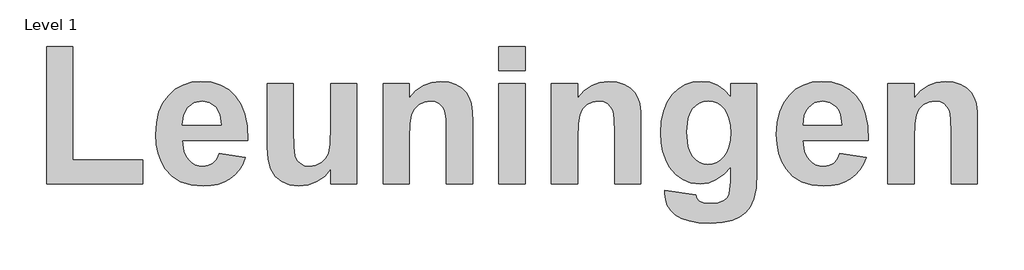
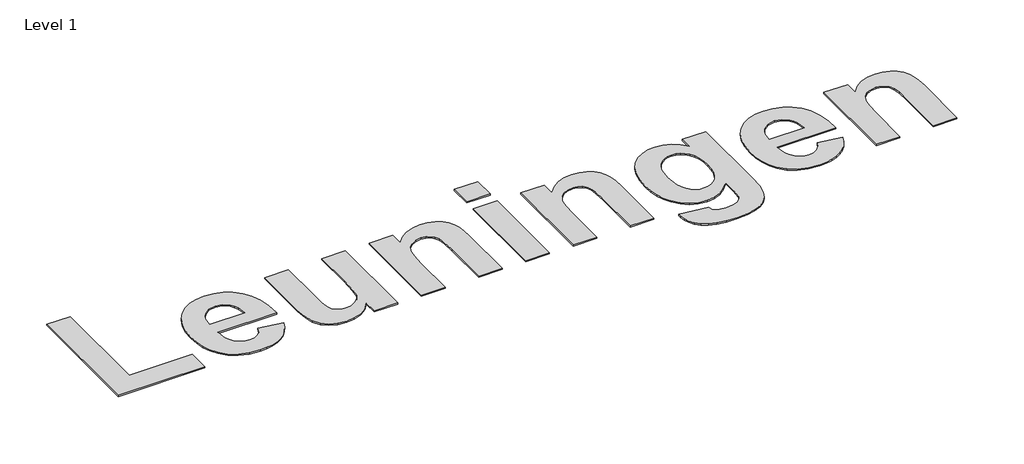
# One storey, part 9 of 14: 1 proxy.
"""IFC4 building model written with IfcOpenShell, lengths in millimetres."""

from ifc_helpers import new_model, si_unit, origin, origin_with_axes, place, context, project, spatial, polyline, outline, extrude, element, save

model = new_model("IFC4")

# Units and contexts
model_context = context("Model", 3, world=origin())
ifc_project = project(units=[si_unit("LENGTHUNIT", "METRE", prefix="MILLI")], contexts=[model_context])

# Site, building, storey
site = spatial("IfcSite", under=ifc_project)
building = spatial("IfcBuilding", under=site)
storey = spatial("IfcBuildingStorey", under=building, Name="Level 1", Elevation=0.0)

# Proxy
placement = place(None, origin())
element("IfcBuildingElementProxy", 1, Name="500mm", ObjectType="500mm", at=placement, inside=storey, context=model_context, shape_type="SweptSolid", body=[
    extrude(outline(polyline([(40589.66133, -17164.6173693), (40589.66133, -16664.6173693), (40684.8994253, -16664.6173693), (40684.8994253, -17077.315782), (40938.8676792, -17077.315782), (40938.8676792, -17164.6173693), (40589.66133, -17164.6173693)])), origin_with_axes(), (0.0, 0.0, 1.0), 5.0),
    extrude(outline(polyline([(41216.645457, -17053.5062582), (41311.8835523, -17069.3792741), (41301.5908935, -17093.1074177), (41288.6940681, -17113.8206183), (41273.1930761, -17131.518876), (41255.0879173, -17146.2021907), (41234.4638474, -17157.7310536), (41211.4061217, -17165.9659556), (41185.9147403, -17170.9068968), (41157.9897031, -17172.5538772), (41114.8581926, -17168.6708787), (41077.7255662, -17157.0218832), (41046.5918236, -17137.6068906), (41021.456965, -17110.4259011), (41006.1574858, -17083.9269551), (40995.2292864, -17054.1572999), (40988.6723667, -17021.1169353), (40986.4867269, -16984.8058614), (40989.3854124, -16941.9921213), (40998.0814689, -16904.0766947), (41012.5748965, -16871.0595816), (41032.8656951, -16842.940782), (41057.5897775, -16820.4798445), (41085.3830562, -16804.4363177), (41116.2455314, -16794.8102016), (41150.1772031, -16791.6014963), (41187.8833662, -16794.8954571), (41221.3887606, -16804.7773395), (41250.6933861, -16821.2471436), (41275.7972427, -16844.3048693), (41295.801273, -16874.1675305), (41309.8064193, -16911.0521411), (41317.8126817, -16954.9587012), (41319.8200602, -17005.8872106), (41081.7248221, -17005.8872106), (41087.832213, -17046.003778), (41094.7224039, -17062.2953207), (41104.1702586, -17076.0757026), (41115.5557373, -17087.034904), (41128.2588003, -17094.862905), (41142.2794476, -17099.5597056), (41157.6176792, -17101.1253058), (41177.613959, -17098.3041253), (41194.2000205, -17089.8405836), (41207.2518558, -17075.1146411), (41216.645457, -17053.5062582)]), holes=[polyline([(41224.581965, -16950.331655), (41218.7845939, -16912.6797453), (41212.2819278, -16897.7019117), (41203.3766078, -16885.2894923), (41180.9931753, -16868.5949239), (41154.269465, -16863.0300677), (41126.0576594, -16868.8894427), (41103.1781951, -16886.4675677), (41094.4046336, -16899.2946387), (41088.1732348, -16914.2143435), (41083.3369253, -16950.331655), (41224.581965, -16950.331655)])]), origin_with_axes(), (0.0, 0.0, 1.0), 5.0),
    extrude(outline(polyline([(41621.4073618, -17164.6173693), (41621.4073618, -17111.0459407), (41599.473458, -17136.6380786), (41571.6181753, -17156.1228257), (41539.9186465, -17168.4461143), (41506.4520046, -17172.5538772), (41473.3728876, -17168.5236193), (41443.8279967, -17156.4328455), (41419.894465, -17137.0411044), (41403.6494253, -17111.1079447), (41394.34883, -17076.3082175), (41391.2486316, -17030.3167741), (41391.2486316, -16799.5380042), (41486.4867269, -16799.5380042), (41486.4867269, -16968.3128058), (41487.7733092, -17030.7973048), (41491.6330562, -17063.2408812), (41498.9185225, -17078.8658812), (41510.4822626, -17090.8946511), (41526.0297576, -17098.5676421), (41545.2664888, -17101.1253058), (41568.0684481, -17097.7150876), (41588.3592467, -17087.4844328), (41604.3872725, -17072.1849536), (41614.4009134, -17053.5682622), (41619.6557497, -17018.644527), (41621.4073618, -16954.4239169), (41621.4073618, -16799.5380042), (41716.645457, -16799.5380042), (41716.645457, -17164.6173693), (41621.4073618, -17164.6173693)])), origin_with_axes(), (0.0, 0.0, 1.0), 5.0),
    extrude(outline(polyline([(42137.2803777, -17164.6173693), (42042.0422824, -17164.6173693), (42042.0422824, -16976.9933614), (42040.5541872, -16927.8862185), (42036.0899015, -16899.8604249), (42028.2463995, -16884.3284308), (42016.6206554, -16872.7026868), (42001.770705, -16865.4482225), (41984.254584, -16863.0300677), (41961.2046088, -16866.486789), (41940.6657943, -16876.8569526), (41924.4207546, -16892.9469824), (41914.2521038, -16913.5633018), (41908.9042616, -16946.1308862), (41907.1216475, -16998.0747106), (41907.1216475, -17164.6173693), (41811.8835523, -17164.6173693), (41811.8835523, -16799.5380042), (41907.1216475, -16799.5380042), (41907.1216475, -16852.1173693), (41931.2179397, -16825.6416749), (41958.2439193, -16806.7304645), (41988.1995865, -16795.3837384), (42021.0849412, -16791.6014963), (42050.0407943, -16794.4846808), (42076.3924808, -16803.1342344), (42098.4038896, -16816.2480737), (42114.3389094, -16832.5241153), (42125.2671088, -16851.5748346), (42132.2580562, -16873.0127066), (42136.0247973, -16900.5579695), (42137.2803777, -16937.9308614), (42137.2803777, -17164.6173693)])), origin_with_axes(), (0.0, 0.0, 1.0), 5.0),
    extrude(outline(polyline([(42232.5184729, -17164.6173693), (42232.5184729, -16799.5380042), (42327.7565681, -16799.5380042), (42327.7565681, -17164.6173693), (42232.5184729, -17164.6173693)])), origin_with_axes(), (0.0, 0.0, 1.0), 5.0),
    extrude(outline(polyline([(42232.5184729, -16751.9189566), (42232.5184729, -16664.6173693), (42327.7565681, -16664.6173693), (42327.7565681, -16751.9189566), (42232.5184729, -16751.9189566)])), origin_with_axes(), (0.0, 0.0, 1.0), 5.0),
    extrude(outline(polyline([(42748.3914888, -17164.6173693), (42653.1533935, -17164.6173693), (42653.1533935, -16976.9933614), (42651.6652983, -16927.8862185), (42647.2010126, -16899.8604249), (42639.3575106, -16884.3284308), (42627.7317665, -16872.7026868), (42612.8818162, -16865.4482225), (42595.3656951, -16863.0300677), (42572.3157199, -16866.486789), (42551.7769054, -16876.8569526), (42535.5318658, -16892.9469824), (42525.363215, -16913.5633018), (42520.0153727, -16946.1308862), (42518.2327586, -16998.0747106), (42518.2327586, -17164.6173693), (42422.9946634, -17164.6173693), (42422.9946634, -16799.5380042), (42518.2327586, -16799.5380042), (42518.2327586, -16852.1173693), (42542.3290508, -16825.6416749), (42569.3550304, -16806.7304645), (42599.3106976, -16795.3837384), (42632.1960523, -16791.6014963), (42661.1519054, -16794.4846808), (42687.5035919, -16803.1342344), (42709.5150007, -16816.2480737), (42725.4500205, -16832.5241153), (42736.3782199, -16851.5748346), (42743.3691673, -16873.0127066), (42747.1359084, -16900.5579695), (42748.3914888, -16937.9308614), (42748.3914888, -17164.6173693)])), origin_with_axes(), (0.0, 0.0, 1.0), 5.0),
    extrude(outline(polyline([(42835.6930761, -17188.4268931), (42946.8041872, -17204.299909), (42951.051459, -17218.3128058), (42958.5849412, -17227.1173693), (42975.1089987, -17233.8137979), (42998.8875205, -17236.0459407), (43029.7034927, -17233.2247602), (43051.7149015, -17224.7612185), (43062.0695642, -17214.8715856), (43069.5720443, -17200.331655), (43073.7883142, -17155.9368138), (43073.7883142, -17102.737409), (43049.2269922, -17129.8098916), (43022.6660423, -17149.1473792), (42994.1054645, -17160.7498718), (42963.5452586, -17164.6173693), (42930.1638722, -17160.7343708), (42900.4562209, -17149.0853753), (42874.4223047, -17129.6703827), (42852.0621237, -17102.4893931), (42837.9562209, -17076.4322255), (42827.8805761, -17047.3678653), (42821.8351892, -17015.2963128), (42819.8200602, -16980.2175677), (42822.4591041, -16937.0434296), (42830.3762358, -16899.2868882), (42843.5714553, -16866.9479435), (42862.0447626, -16840.0265955), (42884.4475714, -16818.8406146), (42909.4312953, -16803.7077711), (42936.9959345, -16794.628065), (42967.1414888, -16791.6014963), (42998.0814689, -16795.189976), (43026.1692665, -16805.9554149), (43051.4048816, -16823.8978133), (43073.7883142, -16849.0171709), (43073.7883142, -16799.5380042), (43169.0264094, -16799.5380042), (43169.0264094, -17123.8187582), (43166.4377437, -17179.6378306), (43158.6717467, -17219.3668733), (43146.2399511, -17247.6251818), (43129.6538896, -17269.0320518), (43107.8594947, -17285.0755786), (43079.8026991, -17297.2438574), (43044.4759382, -17304.9168485), (43000.8716475, -17307.4745122), (42959.0732224, -17305.5678901), (42923.8317169, -17299.8480241), (42895.1471311, -17290.314914), (42873.019465, -17276.9685598), (42856.5264094, -17260.6925181), (42844.7456554, -17242.3703455), (42837.6772031, -17222.0020419), (42835.3210523, -17199.5876074), (42835.6930761, -17188.4268931)]), holes=[polyline([(42915.0581554, -16976.6213376), (42920.5610076, -17029.0146907), (42927.4395728, -17049.1194774), (42937.0695642, -17065.1630042), (42948.7224349, -17077.424289), (42961.6696386, -17086.1823495), (42975.911175, -17091.4371858), (42991.4470443, -17093.1887979), (43008.0757336, -17091.3906828), (43023.363587, -17085.9963376), (43037.3106046, -17077.0057622), (43049.9167864, -17064.4189566), (43060.3605798, -17048.3056754), (43067.8204322, -17028.7356729), (43072.2963437, -17005.7089492), (43073.7883142, -16979.2255042), (43072.3583476, -16951.6143621), (43068.0684481, -16927.8087136), (43060.9186155, -16907.8085585), (43050.9088499, -16891.6138971), (43038.7134444, -16879.1084717), (43025.0066921, -16870.1760251), (43009.7885932, -16864.8165571), (42993.0591475, -16863.0300677), (42976.8179831, -16864.7816798), (42962.0726644, -16870.0365161), (42948.8231914, -16878.7945766), (42937.0695642, -16891.0558614), (42927.4395728, -16906.9133763), (42920.5610076, -16926.4601272), (42915.0581554, -16976.6213376)])]), origin_with_axes(), (0.0, 0.0, 1.0), 5.0),
    extrude(outline(polyline([(43470.613711, -17053.5062582), (43565.8518062, -17069.3792741), (43555.5591475, -17093.1074177), (43542.6623221, -17113.8206183), (43527.16133, -17131.518876), (43509.0561713, -17146.2021907), (43488.4321014, -17157.7310536), (43465.3743757, -17165.9659556), (43439.8829942, -17170.9068968), (43411.957957, -17172.5538772), (43368.8264466, -17168.6708787), (43331.6938201, -17157.0218832), (43300.5600776, -17137.6068906), (43275.4252189, -17110.4259011), (43260.1257398, -17083.9269551), (43249.1975404, -17054.1572999), (43242.6406207, -17021.1169353), (43240.4549808, -16984.8058614), (43243.3536663, -16941.9921213), (43252.0497229, -16904.0766947), (43266.5431505, -16871.0595816), (43286.8339491, -16842.940782), (43311.5580314, -16820.4798445), (43339.3513102, -16804.4363177), (43370.2137854, -16794.8102016), (43404.145457, -16791.6014963), (43441.8516202, -16794.8954571), (43475.3570146, -16804.7773395), (43504.6616401, -16821.2471436), (43529.7654967, -16844.3048693), (43549.769527, -16874.1675305), (43563.7746733, -16911.0521411), (43571.7809357, -16954.9587012), (43573.7883142, -17005.8872106), (43335.6930761, -17005.8872106), (43341.8004669, -17046.003778), (43348.6906579, -17062.2953207), (43358.1385126, -17076.0757026), (43369.5239912, -17087.034904), (43382.2270542, -17094.862905), (43396.2477016, -17099.5597056), (43411.5859332, -17101.1253058), (43431.582213, -17098.3041253), (43448.1682745, -17089.8405836), (43461.2201098, -17075.1146411), (43470.613711, -17053.5062582)]), holes=[polyline([(43478.5502189, -16950.331655), (43472.7528479, -16912.6797453), (43466.2501817, -16897.7019117), (43457.3448618, -16885.2894923), (43434.9614292, -16868.5949239), (43408.2377189, -16863.0300677), (43380.0259134, -16868.8894427), (43357.1464491, -16886.4675677), (43348.3728876, -16899.2946387), (43342.1414888, -16914.2143435), (43337.3051792, -16950.331655), (43478.5502189, -16950.331655)])]), origin_with_axes(), (0.0, 0.0, 1.0), 5.0),
    extrude(outline(polyline([(43970.613711, -17164.6173693), (43875.3756158, -17164.6173693), (43875.3756158, -16976.9933614), (43873.8875205, -16927.8862185), (43869.4232348, -16899.8604249), (43861.5797328, -16884.3284308), (43849.9539888, -16872.7026868), (43835.1040384, -16865.4482225), (43817.5879173, -16863.0300677), (43794.5379421, -16866.486789), (43773.9991277, -16876.8569526), (43757.754088, -16892.9469824), (43747.5854372, -16913.5633018), (43742.2375949, -16946.1308862), (43740.4549808, -16998.0747106), (43740.4549808, -17164.6173693), (43645.2168856, -17164.6173693), (43645.2168856, -16799.5380042), (43740.4549808, -16799.5380042), (43740.4549808, -16852.1173693), (43764.551273, -16825.6416749), (43791.5772527, -16806.7304645), (43821.5329198, -16795.3837384), (43854.4182745, -16791.6014963), (43883.3741277, -16794.4846808), (43909.7258142, -16803.1342344), (43931.7372229, -16816.2480737), (43947.6722427, -16832.5241153), (43958.6004421, -16851.5748346), (43965.5913896, -16873.0127066), (43969.3581306, -16900.5579695), (43970.613711, -16937.9308614), (43970.613711, -17164.6173693)])), origin_with_axes(), (0.0, 0.0, 1.0), 5.0),
])

save(model, "model.ifc")
